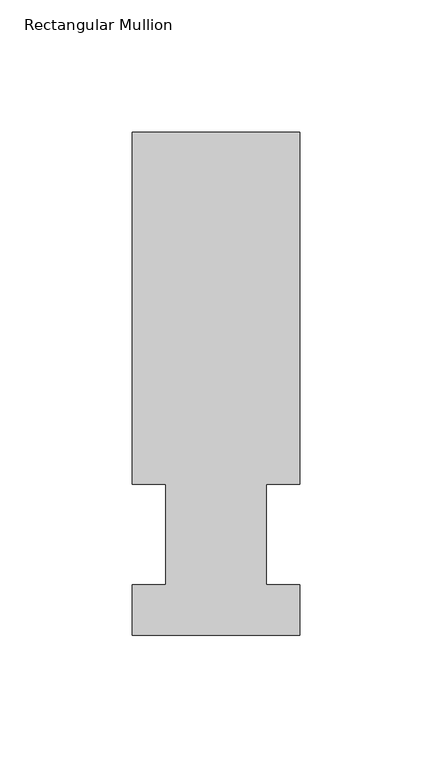
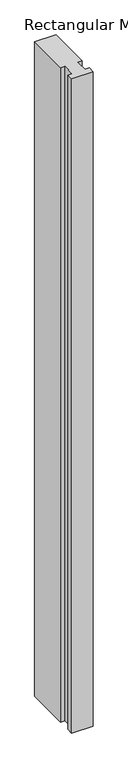
"""IFC4 building model written with IfcOpenShell, lengths in millimetres: member geometry, Rectangular Mullion."""

from ifc_helpers import new_model, si_unit, frame, origin, place, context, project, spatial, polyline, outline, extrude, source, transform, mapped, element, save


def rectangular_mullion_02109b7f(model_context):
    return source(origin(), model_context, "Body", "SweptSolid", [
        extrude(outline(polyline([(31.75, 190.5), (31.75, 57.15), (19.0500001, 57.15), (19.0500001, 19.05), (31.7500005, 19.05), (31.7500005, -0.0137627), (-31.7499995, -0.0137627), (-31.7499995, 19.05), (-19.0500001, 19.05), (-19.0500001, 57.15), (-31.7500006, 57.15), (-31.7500006, 190.5), (31.75, 190.5)])), frame((0.0, 0.0, -2057.4), z_axis=(0.0, 0.0, 1.0), x_axis=(1.0, 0.0, 0.0)), (0.0, 0.0, 1.0), 2057.4),
    ])


if __name__ == "__main__":
    model = new_model("IFC4")
    model_context = context("Model", 3, world=origin())
    ifc_project = project(units=[si_unit("LENGTHUNIT", "METRE", prefix="MILLI")], contexts=[model_context])
    site = spatial("IfcSite", under=ifc_project)
    building = spatial("IfcBuilding", under=site)
    placement = place(None, origin())
    rectangular_mullion_shape = rectangular_mullion_02109b7f(model_context)
    element("IfcMember", 1, ObjectType="Rectangular Mullion", at=placement, inside=building, context=model_context, shape_type="MappedRepresentation", body=[
        mapped(rectangular_mullion_shape, transform((0.0, 0.0, 0.0), x_axis=(1.0, 0.0, 0.0), y_axis=(0.0, 1.0, 0.0), z_axis=(0.0, 0.0, 1.0))),
    ])
    save(model, "model.ifc")
